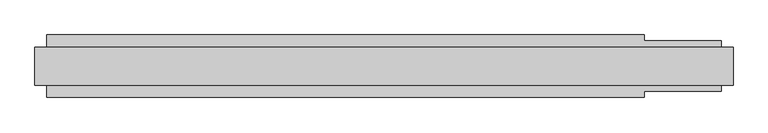
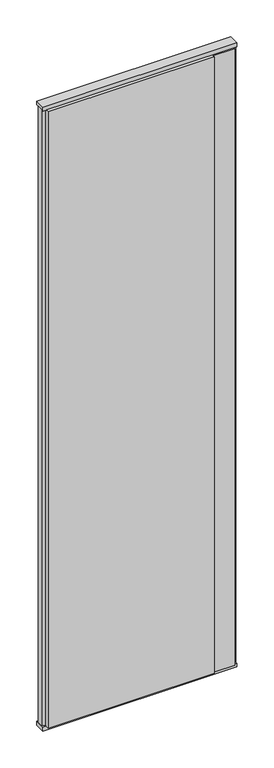
"""IFC4 building model written with IfcOpenShell, lengths in millimetres: plate geometry."""

from ifc_helpers import new_model, si_unit, frame, origin, origin_with_axes, place, context, project, spatial, polyline, outline, extrude, source, transform, mapped, element, save


def plate_77367089(model_context):
    return source(origin(), model_context, "Body", "SweptSolid", [
        extrude(outline(polyline([(438.0, 52.5), (438.0, 42.5), (568.0, 42.5), (568.0, 22.9993165), (588.0, 17.6401049), (588.0, -17.6401049), (568.0, -22.9993165), (568.0, -42.5), (438.0, -42.5), (438.0, -52.5), (-568.0, -52.5), (-568.0, -22.9993165), (-588.0, -17.6401049), (-588.0, 17.6401049), (-568.0, 22.9993165), (-568.0, 52.5), (438.0, 52.5)])), frame((0.0, 0.0, 25.0), z_axis=(0.0, 0.0, 1.0), x_axis=(1.0, 0.0, 0.0)), (0.0, 0.0, 1.0), 3950.0),
        extrude(outline(polyline([(588.0, 32.0), (588.0, -32.0), (-588.0, -32.0), (-588.0, 32.0), (588.0, 32.0)])), origin_with_axes(), (0.0, 0.0, 1.0), 25.0),
        extrude(outline(polyline([(588.0, 32.0), (588.0, -32.0), (-588.0, -32.0), (-588.0, 32.0), (588.0, 32.0)])), frame((0.0, 0.0, 3975.0), z_axis=(0.0, 0.0, 1.0), x_axis=(1.0, 0.0, 0.0)), (0.0, 0.0, 1.0), 25.0),
    ])


if __name__ == "__main__":
    model = new_model("IFC4")
    model_context = context("Model", 3, world=origin())
    ifc_project = project(units=[si_unit("LENGTHUNIT", "METRE", prefix="MILLI")], contexts=[model_context])
    site = spatial("IfcSite", under=ifc_project)
    building = spatial("IfcBuilding", under=site)
    placement = place(None, origin())
    plate_shape = plate_77367089(model_context)
    element("IfcPlate", 1, at=placement, inside=building, context=model_context, shape_type="MappedRepresentation", body=[
        mapped(plate_shape, transform((0.0, 0.0, 0.0), x_axis=(1.0, 0.0, 0.0), y_axis=(0.0, 1.0, 0.0), z_axis=(0.0, 0.0, 1.0))),
    ])
    save(model, "model.ifc")
